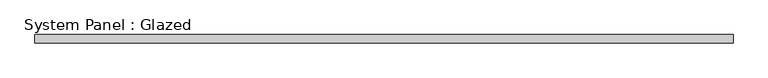
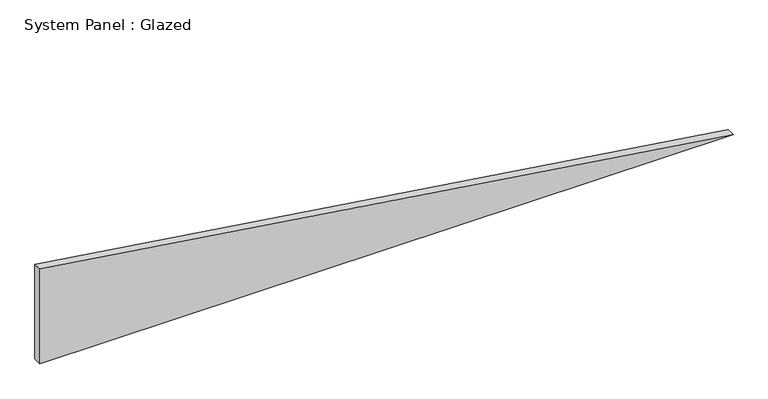
"""IFC4 building model written with IfcOpenShell, lengths in millimetres: plate geometry, System Panel : Glazed."""

from ifc_helpers import new_model, si_unit, frame, origin, place, context, project, spatial, polyline, outline, extrude, source, transform, mapped, element, save


def system_panel_glazed_a5a073a0(model_context):
    return source(origin(), model_context, "Body", "SweptSolid", [
        extrude(outline(polyline([(0.0, -1032.1443111), (0.0, 1032.1443111), (298.4341153, -1032.1443111), (0.0, -1032.1443111)])), frame((0.0, 24.5, 0.0), z_axis=(0.0, 1.0, 0.0), x_axis=(0.0, 0.0, 1.0)), (0.0, 0.0, 1.0), 25.0),
    ])


if __name__ == "__main__":
    model = new_model("IFC4")
    model_context = context("Model", 3, world=origin())
    ifc_project = project(units=[si_unit("LENGTHUNIT", "METRE", prefix="MILLI")], contexts=[model_context])
    site = spatial("IfcSite", under=ifc_project)
    building = spatial("IfcBuilding", under=site)
    placement = place(None, origin())
    system_panel_glazed_shape = system_panel_glazed_a5a073a0(model_context)
    element("IfcPlate", 1, ObjectType="System Panel : Glazed", at=placement, inside=building, context=model_context, shape_type="MappedRepresentation", body=[
        mapped(system_panel_glazed_shape, transform((0.0, 0.0, 0.0), x_axis=(1.0, 0.0, 0.0), y_axis=(0.0, 1.0, 0.0), z_axis=(0.0, 0.0, 1.0))),
    ])
    save(model, "model.ifc")
